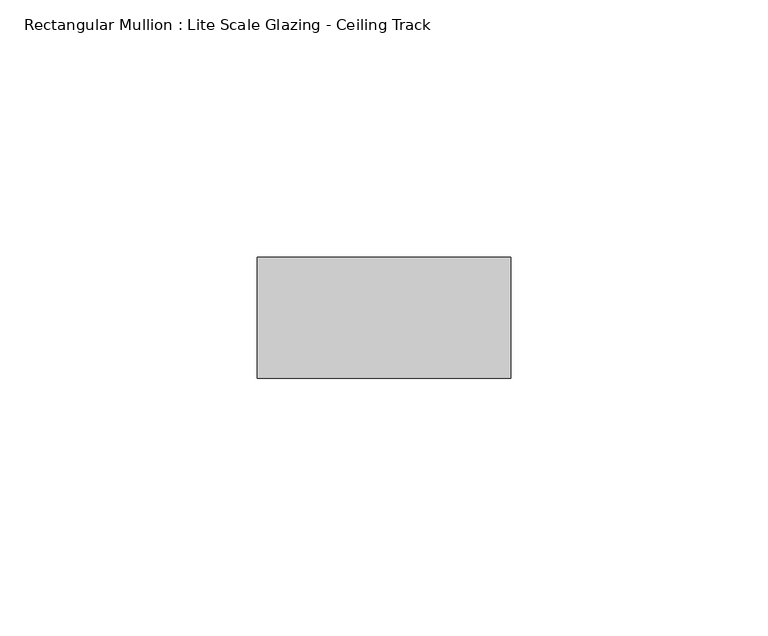
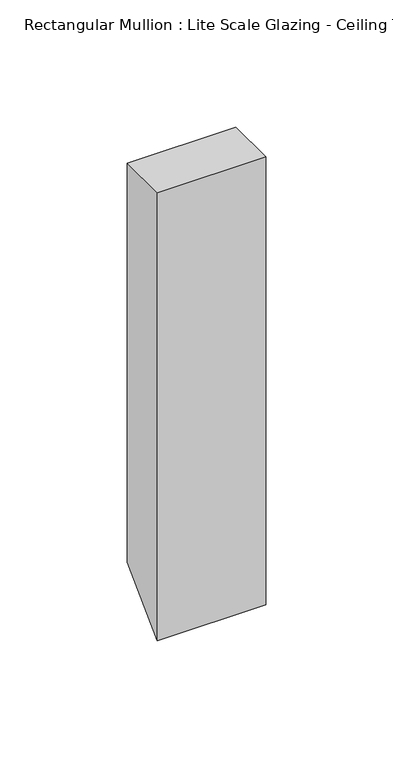
"""IFC4 building model written with IfcOpenShell, lengths in millimetres: member geometry, Rectangular Mullion : Lite Scale Glazing - Ceiling Track."""

from ifc_helpers import new_model, si_unit, frame, origin, place, context, project, spatial, polyline, outline, extrude, source, transform, mapped, element, save


def rectangular_mullion_lite_scale_glazing_ceiling_track_c6b008aa(model_context):
    return source(origin(), model_context, "Body", "SweptSolid", [
        extrude(outline(polyline([(-11.7474999, 0.0), (11.7474999, 0.0), (11.7474999, -191.4525001), (-11.7474999, -214.9474999), (-11.7474999, 0.0)])), frame((-49.276, 0.0, 0.0), z_axis=(1.0, 0.0, 0.0), x_axis=(0.0, 1.0, 0.0)), (0.0, 0.0, 1.0), 49.276),
    ])


if __name__ == "__main__":
    model = new_model("IFC4")
    model_context = context("Model", 3, world=origin())
    ifc_project = project(units=[si_unit("LENGTHUNIT", "METRE", prefix="MILLI")], contexts=[model_context])
    site = spatial("IfcSite", under=ifc_project)
    building = spatial("IfcBuilding", under=site)
    placement = place(None, origin())
    rectangular_mullion_lite_scale_glazing_ceiling_track_shape = rectangular_mullion_lite_scale_glazing_ceiling_track_c6b008aa(model_context)
    element("IfcMember", 1, ObjectType="Rectangular Mullion : Lite Scale Glazing - Ceiling Track", at=placement, inside=building, context=model_context, shape_type="MappedRepresentation", body=[
        mapped(rectangular_mullion_lite_scale_glazing_ceiling_track_shape, transform((0.0, 0.0, 0.0), x_axis=(1.0, 0.0, 0.0), y_axis=(0.0, 1.0, 0.0), z_axis=(0.0, 0.0, 1.0))),
    ])
    save(model, "model.ifc")
